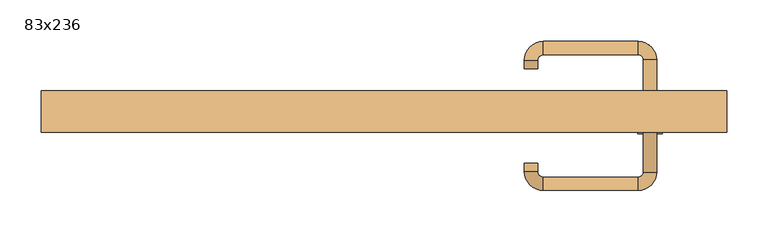
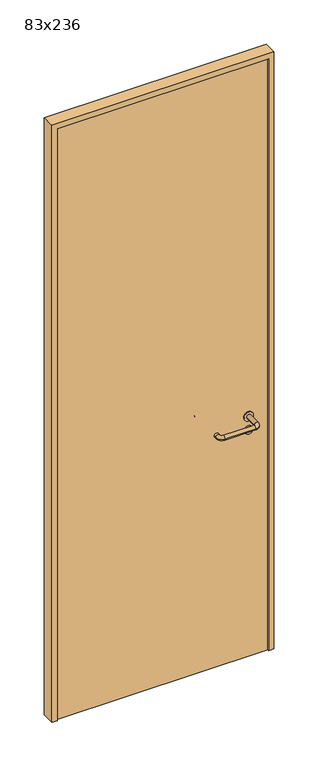
"""IFC4 building model written with IfcOpenShell, lengths in millimetres: door geometry, 83x236."""

from ifc_helpers import new_model, si_unit, point, frame, frame_2d, origin, origin_with_axes, place, context, project, spatial, polyline, circle_curve, ellipse_curve, trimmed, segment, composite_curve, outline, extrude, source, transform, mapped, element, save
from ifc_brep_helpers import plane_surface, cylinder_surface, revolved_surface, advanced_brep


def door_83x236_205ccaae(model_context):
    return source(origin(), model_context, "Body", "SolidModel", [
        extrude(outline(composite_curve([segment(trimmed(circle_curve(frame_2d((897.3605726, 322.0)), 15.0), [point((897.3605726, 337.0))], [point((897.3605726, 307.0))], False, "CARTESIAN"), True, "CONTINUOUS"), segment(trimmed(circle_curve(frame_2d((897.3605726, 322.0)), 15.0), [point((897.3605726, 307.0))], [point((897.3605726, 337.0))], False, "CARTESIAN"), True, "CONTINUOUS")], self_intersect=False), holes=[composite_curve([segment(trimmed(circle_curve(frame_2d((892.5833211, 321.9398032)), 2.0), [point((892.5833211, 323.9398032))], [point((892.5833211, 319.9398032))], True, "CARTESIAN"), True, "CONTINUOUS"), segment(polyline([(892.5833211, 319.9398032), (902.5833211, 319.9398032)]), True, "CONTINUOUS"), segment(trimmed(circle_curve(frame_2d((902.5833211, 321.9398032)), 2.0), [point((902.5833211, 319.9398032))], [point((902.5833211, 323.9398032))], True, "CARTESIAN"), True, "CONTINUOUS"), segment(polyline([(902.5833211, 323.9398032), (892.5833211, 323.9398032)]), True, "CONTINUOUS")], self_intersect=False)]), frame((0.0, -15.0, 0.0), z_axis=(0.0, 1.0, 0.0), x_axis=(0.0, 0.0, 1.0)), (0.0, 0.0, 1.0), 6.35),
        extrude(outline(composite_curve([segment(trimmed(circle_curve(frame_2d((950.0, 322.0)), 17.526), [point((950.0, 339.526))], [point((950.0, 304.474))], False, "CARTESIAN"), True, "CONTINUOUS"), segment(trimmed(circle_curve(frame_2d((950.0, 322.0)), 17.526), [point((950.0, 304.474))], [point((950.0, 339.526))], False, "CARTESIAN"), True, "CONTINUOUS")], self_intersect=False)), frame((0.0, -15.0, 0.0), z_axis=(0.0, 1.0, 0.0), x_axis=(0.0, 0.0, 1.0)), (0.0, 0.0, 1.0), 3.175),
        advanced_brep(
        [(330.0, -15.0, 950.0), (314.0, -15.0, 950.0), (330.0, 38.0, 950.0), (314.0, 38.0, 950.0), (307.8578644, 44.1421356, 950.0), (307.8578644, 60.1421356, 950.0), (192.8578644, 60.1421356, 950.0), (192.8578644, 44.1421356, 950.0), (186.008622, 37.2928932, 950.0), (170.008622, 37.2928932, 950.0), (170.008622, 27.2928932, 950.0), (186.008622, 27.2928932, 950.0)],
        [
            (0, 1, circle_curve(frame((322.0, -15.0, 950.0), z_axis=(0.0, -1.0, 0.0), x_axis=(-1.0, 0.0, 0.0)), 8.0)),
            (1, 0, circle_curve(frame((322.0, -15.0, 950.0), z_axis=(0.0, -1.0, 0.0), x_axis=(-1.0, 0.0, 0.0)), 8.0)),
            (0, 2),
            (2, 3, circle_curve(frame((322.0, 38.0, 950.0), z_axis=(0.0, -1.0, 0.0), x_axis=(-1.0, 0.0, 0.0)), 8.0)),
            (3, 1),
            (3, 2, circle_curve(frame((322.0, 38.0, 950.0), z_axis=(0.0, -1.0, 0.0), x_axis=(-1.0, 0.0, 0.0)), 8.0)),
            (4, 3, circle_curve(frame((307.8578644, 38.0, 950.0), z_axis=(0.0, 0.0, -1.0), x_axis=(1.0, 0.0, 0.0)), 6.1421356)),
            (2, 5, circle_curve(frame((307.8578644, 38.0, 950.0), z_axis=(0.0, 0.0, 1.0), x_axis=(1.0, 0.0, 0.0)), 22.1421356)),
            (5, 4, circle_curve(frame((307.8578644, 52.1421356, 950.0), z_axis=(1.0, 0.0, 0.0), x_axis=(0.0, -1.0, 0.0)), 8.0)),
            (4, 5, circle_curve(frame((307.8578644, 52.1421356, 950.0), z_axis=(1.0, 0.0, 0.0), x_axis=(0.0, -1.0, 0.0)), 8.0)),
            (5, 6),
            (6, 7, circle_curve(frame((192.8578644, 52.1421356, 950.0), z_axis=(1.0, 0.0, 0.0), x_axis=(0.0, -1.0, 0.0)), 8.0)),
            (7, 4),
            (7, 6, circle_curve(frame((192.8578644, 52.1421356, 950.0), z_axis=(1.0, 0.0, 0.0), x_axis=(0.0, -1.0, 0.0)), 8.0)),
            (8, 7, circle_curve(frame((192.8578644, 37.2928932, 950.0), z_axis=(0.0, 0.0, -1.0), x_axis=(0.0, 1.0, 0.0)), 6.8492424)),
            (6, 9, circle_curve(frame((192.8578644, 37.2928932, 950.0), z_axis=(0.0, 0.0, 1.0), x_axis=(0.0, 1.0, 0.0)), 22.8492424)),
            (9, 8, circle_curve(frame((178.008622, 37.2928932, 950.0), z_axis=(0.0, 1.0, 0.0), x_axis=(1.0, 0.0, 0.0)), 8.0)),
            (8, 9, circle_curve(frame((178.008622, 37.2928932, 950.0), z_axis=(0.0, 1.0, 0.0), x_axis=(1.0, 0.0, 0.0)), 8.0)),
            (10, 11, circle_curve(frame((178.008622, 27.2928932, 950.0), z_axis=(0.0, -1.0, 0.0), x_axis=(1.0, 0.0, 0.0)), 8.0)),
            (11, 10, circle_curve(frame((178.008622, 27.2928932, 950.0), z_axis=(0.0, -1.0, 0.0), x_axis=(1.0, 0.0, 0.0)), 8.0)),
            (9, 10),
            (11, 8),
        ],
        [
            plane_surface(frame((322.0, -15.0, 0.0), z_axis=(0.0, -1.0, 0.0), x_axis=(0.0, 0.0, 1.0))),
            cylinder_surface(frame((322.0, -15.0, 950.0), z_axis=(0.0, -1.0, 0.0), x_axis=(-1.0, 0.0, 0.0)), 8.0),
            revolved_surface(trimmed(ellipse_curve(frame((322.0, 38.0, 950.0), z_axis=(0.0, -1.0, 0.0), x_axis=(-1.0, 0.0, 0.0)), 8.0, 8.0), [point((330.0, 38.0, 950.0))], [point((314.0, 38.0, 950.0))], True, "CARTESIAN"), (307.8578644, 38.0, 0.0), (0.0, 0.0, 1.0)),
            revolved_surface(trimmed(ellipse_curve(frame((322.0, 38.0, 950.0), z_axis=(0.0, -1.0, 0.0), x_axis=(-1.0, 0.0, 0.0)), 8.0, 8.0), [point((314.0, 38.0, 950.0))], [point((330.0, 38.0, 950.0))], True, "CARTESIAN"), (307.8578644, 38.0, 0.0), (0.0, 0.0, 1.0)),
            cylinder_surface(frame((307.8578644, 52.1421356, 950.0), z_axis=(1.0, 0.0, 0.0), x_axis=(0.0, -1.0, 0.0)), 8.0),
            revolved_surface(trimmed(ellipse_curve(frame((192.8578644, 52.1421356, 950.0), z_axis=(1.0, 0.0, 0.0), x_axis=(0.0, -1.0, 0.0)), 8.0, 8.0), [point((192.8578644, 60.1421356, 950.0))], [point((192.8578644, 44.1421356, 950.0))], True, "CARTESIAN"), (192.8578644, 37.2928932, 0.0), (0.0, 0.0, 1.0)),
            revolved_surface(trimmed(ellipse_curve(frame((192.8578644, 52.1421356, 950.0), z_axis=(1.0, 0.0, 0.0), x_axis=(0.0, -1.0, 0.0)), 8.0, 8.0), [point((192.8578644, 44.1421356, 950.0))], [point((192.8578644, 60.1421356, 950.0))], True, "CARTESIAN"), (192.8578644, 37.2928932, 0.0), (0.0, 0.0, 1.0)),
            plane_surface(frame((178.008622, 27.2928932, 0.0), z_axis=(0.0, -1.0, 0.0), x_axis=(0.0, 0.0, 1.0))),
            cylinder_surface(frame((178.008622, 37.2928932, 950.0), z_axis=(0.0, 1.0, 0.0), x_axis=(1.0, 0.0, 0.0)), 8.0),
        ],
        [
            (0, [[1, 2]]),
            (1, [[-1, 3, 4, 5]]),
            (1, [[-2, -5, 6, -3]]),
            (2, [[7, -4, 8, 9]]),
            (3, [[-8, -6, -7, 10]]),
            (4, [[-9, 11, 12, 13]]),
            (4, [[-10, -13, 14, -11]]),
            (5, [[15, -12, 16, 17]]),
            (6, [[-16, -14, -15, 18]]),
            (7, [[19, 20]]),
            (8, [[-17, 21, -20, 22]]),
            (8, [[-18, -22, -19, -21]]),
        ],
    ),
        extrude(outline(composite_curve([segment(trimmed(circle_curve(frame_2d((0.0, 15.0)), 15.0), [point((0.0, 30.0))], [point((0.0, 0.0))], False, "CARTESIAN"), True, "CONTINUOUS"), segment(trimmed(circle_curve(frame_2d((0.0, 15.0)), 15.0), [point((0.0, 0.0))], [point((0.0, 30.0))], False, "CARTESIAN"), True, "CONTINUOUS")], self_intersect=False), holes=[composite_curve([segment(trimmed(circle_curve(frame_2d((-4.7772515, 14.9398032)), 2.0), [point((-4.7772515, 16.9398032))], [point((-4.7772515, 12.9398032))], True, "CARTESIAN"), True, "CONTINUOUS"), segment(polyline([(-4.7772515, 12.9398032), (5.2227485, 12.9398032)]), True, "CONTINUOUS"), segment(trimmed(circle_curve(frame_2d((5.2227485, 14.9398032)), 2.0), [point((5.2227485, 12.9398032))], [point((5.2227485, 16.9398032))], True, "CARTESIAN"), True, "CONTINUOUS"), segment(polyline([(5.2227485, 16.9398032), (-4.7772515, 16.9398032)]), True, "CONTINUOUS")], self_intersect=False)]), frame((307.0, -51.35, 897.3605726), z_axis=(-1.8870575173328306e-12, 1.0, 0.0), x_axis=(0.0, 0.0, 1.0)), (0.0, 0.0, 1.0), 6.35),
        extrude(outline(composite_curve([segment(trimmed(circle_curve(frame_2d((0.0, 17.526)), 17.526), [point((0.0, 35.052))], [point((0.0, 0.0))], False, "CARTESIAN"), True, "CONTINUOUS"), segment(trimmed(circle_curve(frame_2d((0.0, 17.526)), 17.526), [point((0.0, 0.0))], [point((0.0, 35.052))], False, "CARTESIAN"), True, "CONTINUOUS")], self_intersect=False)), frame((304.474, -48.175, 950.0), z_axis=(-1.8870575173328306e-12, 1.0, 0.0), x_axis=(0.0, 0.0, 1.0)), (0.0, 0.0, 1.0), 3.175),
        advanced_brep(
        [(330.0, -45.0, 950.0), (314.0, -45.0, 950.0), (314.0, -98.0, 950.0), (330.0, -98.0, 950.0), (307.8578644, -104.1421356, 950.0), (307.8578644, -120.1421356, 950.0), (192.8578644, -104.1421356, 950.0), (192.8578644, -120.1421356, 950.0), (186.008622, -97.2928932, 950.0), (170.008622, -97.2928932, 950.0), (170.008622, -87.2928932, 950.0), (186.008622, -87.2928932, 950.0)],
        [
            (0, 1, circle_curve(frame((322.0, -45.0, 950.0), z_axis=(-1.888672253512351e-12, 1.0, 0.0), x_axis=(-1.0, -1.888672253512351e-12, 0.0)), 8.0)),
            (1, 0, circle_curve(frame((322.0, -45.0, 950.0), z_axis=(-1.888672253512351e-12, 1.0, 0.0), x_axis=(-1.0, -1.888672253512351e-12, 0.0)), 8.0)),
            (1, 2),
            (2, 3, circle_curve(frame((322.0, -98.0, 950.0), z_axis=(-1.888672253512351e-12, 1.0, 0.0), x_axis=(-1.0, -1.888672253512351e-12, 0.0)), 8.0)),
            (3, 0),
            (3, 2, circle_curve(frame((322.0, -98.0, 950.0), z_axis=(-1.888672253512351e-12, 1.0, 0.0), x_axis=(-1.0, -1.888672253512351e-12, 0.0)), 8.0)),
            (4, 5, circle_curve(frame((307.8578644, -112.1421356, 950.0), z_axis=(1.0, 1.913702061528922e-12, 0.0), x_axis=(-1.913702061528922e-12, 1.0, 0.0)), 8.0)),
            (5, 3, circle_curve(frame((307.8578644, -98.0, 950.0), z_axis=(0.0, 0.0, 1.0), x_axis=(1.0, 1.880717803715015e-12, 0.0)), 22.1421356)),
            (2, 4, circle_curve(frame((307.8578644, -98.0, 950.0), z_axis=(0.0, 0.0, -1.0), x_axis=(1.0, 1.880717803715015e-12, 0.0)), 6.1421356)),
            (5, 4, circle_curve(frame((307.8578644, -112.1421356, 950.0), z_axis=(1.0, 1.913702061528922e-12, 0.0), x_axis=(-1.913702061528922e-12, 1.0, 0.0)), 8.0)),
            (4, 6),
            (6, 7, circle_curve(frame((192.8578644, -112.1421356, 950.0), z_axis=(1.0, 1.913719828541269e-12, 0.0), x_axis=(-1.913719828541269e-12, 1.0, 0.0)), 8.0)),
            (7, 5),
            (7, 6, circle_curve(frame((192.8578644, -112.1421356, 950.0), z_axis=(1.0, 1.913719828541269e-12, 0.0), x_axis=(-1.913719828541269e-12, 1.0, 0.0)), 8.0)),
            (8, 9, circle_curve(frame((178.008622, -97.2928932, 950.0), z_axis=(1.8888942981172756e-12, -1.0, 0.0), x_axis=(1.0, 1.8888942981172756e-12, 0.0)), 8.0)),
            (9, 7, circle_curve(frame((192.8578644, -97.2928932, 950.0), z_axis=(0.0, 0.0, 1.0), x_axis=(1.9120873253494017e-12, -1.0, 0.0)), 22.8492424)),
            (6, 8, circle_curve(frame((192.8578644, -97.2928932, 950.0), z_axis=(0.0, 0.0, -1.0), x_axis=(1.9120873253494017e-12, -1.0, 0.0)), 6.8492424)),
            (9, 8, circle_curve(frame((178.008622, -97.2928932, 950.0), z_axis=(1.890448610351751e-12, -1.0, 0.0), x_axis=(1.0, 1.890448610351751e-12, 0.0)), 8.0)),
            (10, 11, circle_curve(frame((178.008622, -87.2928932, 950.0), z_axis=(-1.8903642334018795e-12, 1.0, 0.0), x_axis=(1.0, 1.8903642334018795e-12, 0.0)), 8.0)),
            (11, 10, circle_curve(frame((178.008622, -87.2928932, 950.0), z_axis=(-1.8903642334018795e-12, 1.0, 0.0), x_axis=(1.0, 1.8903642334018795e-12, 0.0)), 8.0)),
            (8, 11),
            (10, 9),
        ],
        [
            plane_surface(frame((322.0, -45.0, 0.0), z_axis=(-1.8870575173328306e-12, 1.0, 0.0), x_axis=(0.0, 0.0, 1.0))),
            cylinder_surface(frame((322.0, -45.0, 950.0), z_axis=(-1.888672253512351e-12, 1.0, 0.0), x_axis=(-1.0, -1.888672253512351e-12, 0.0)), 8.0),
            revolved_surface(trimmed(ellipse_curve(frame((322.0, -98.0, 950.0), z_axis=(1.8823325398945356e-12, -1.0, 0.0), x_axis=(-1.0, -1.8823325398945356e-12, 0.0)), 8.0, 8.0), [point((330.0, -98.0, 950.0))], [point((314.0, -98.0, 950.0))], True, "CARTESIAN"), (307.8578644, -98.0, 0.0), (0.0, 0.0, 1.0)),
            revolved_surface(trimmed(ellipse_curve(frame((322.0, -98.0, 950.0), z_axis=(1.8823325398945356e-12, -1.0, 0.0), x_axis=(-1.0, -1.8823325398945356e-12, 0.0)), 8.0, 8.0), [point((314.0, -98.0, 950.0))], [point((330.0, -98.0, 950.0))], True, "CARTESIAN"), (307.8578644, -98.0, 0.0), (0.0, 0.0, 1.0)),
            cylinder_surface(frame((307.8578644, -112.1421356, 950.0), z_axis=(1.0, 1.913719828541269e-12, 0.0), x_axis=(-1.913719828541269e-12, 1.0, 0.0)), 8.0),
            revolved_surface(trimmed(ellipse_curve(frame((192.8578644, -112.1421356, 950.0), z_axis=(-1.0, -1.913702061528922e-12, 0.0), x_axis=(-1.913702061528922e-12, 1.0, 0.0)), 8.0, 8.0), [point((192.8578644, -120.1421356, 950.0))], [point((192.8578644, -104.1421356, 950.0))], True, "CARTESIAN"), (192.8578644, -97.2928932, 0.0), (0.0, 0.0, 1.0)),
            revolved_surface(trimmed(ellipse_curve(frame((192.8578644, -112.1421356, 950.0), z_axis=(-1.0, -1.913702061528922e-12, 0.0), x_axis=(-1.913702061528922e-12, 1.0, 0.0)), 8.0, 8.0), [point((192.8578644, -104.1421356, 950.0))], [point((192.8578644, -120.1421356, 950.0))], True, "CARTESIAN"), (192.8578644, -97.2928932, 0.0), (0.0, 0.0, 1.0)),
            plane_surface(frame((178.008622, -87.2928932, 0.0), z_axis=(-1.8887494972223595e-12, 1.0, 0.0), x_axis=(0.0, 0.0, 1.0))),
            cylinder_surface(frame((178.008622, -97.2928932, 950.0), z_axis=(1.8903642334018795e-12, -1.0, 0.0), x_axis=(1.0, 1.8903642334018795e-12, 0.0)), 8.0),
        ],
        [
            (0, [[1, 2]]),
            (1, [[3, 4, 5, -2]]),
            (1, [[-5, 6, -3, -1]]),
            (2, [[7, 8, -4, 9]]),
            (3, [[10, -9, -6, -8]]),
            (4, [[11, 12, 13, -7]]),
            (4, [[-13, 14, -11, -10]]),
            (5, [[15, 16, -12, 17]]),
            (6, [[18, -17, -14, -16]]),
            (7, [[19, 20]]),
            (8, [[21, -19, 22, -15]]),
            (8, [[-22, -20, -21, -18]]),
        ],
    ),
        extrude(outline(polyline([(2340.0, 395.0), (0.0, 395.0), (0.0, 415.0), (2360.0, 415.0), (2360.0, -415.0), (0.0, -415.0), (0.0, -395.0), (2340.0, -395.0), (2340.0, 395.0)])), frame((0.0, -50.0, 0.0), z_axis=(0.0, 1.0, 0.0), x_axis=(0.0, 0.0, 1.0)), (0.0, 0.0, 1.0), 50.0),
        extrude(outline(polyline([(-395.0, -45.0), (-395.0, -15.0), (395.0, -15.0), (395.0, -45.0), (-395.0, -45.0)])), origin_with_axes(), (0.0, 0.0, 1.0), 2340.0),
    ])


if __name__ == "__main__":
    model = new_model("IFC4")
    model_context = context("Model", 3, world=origin())
    ifc_project = project(units=[si_unit("LENGTHUNIT", "METRE", prefix="MILLI")], contexts=[model_context])
    site = spatial("IfcSite", under=ifc_project)
    building = spatial("IfcBuilding", under=site)
    placement = place(None, origin())
    door_83x236_shape = door_83x236_205ccaae(model_context)
    element("IfcDoor", 1, ObjectType="83x236", at=placement, inside=building, context=model_context, shape_type="MappedRepresentation", body=[
        mapped(door_83x236_shape, transform((0.0, 0.0, 0.0), x_axis=(1.0, 0.0, 0.0), y_axis=(0.0, 1.0, 0.0), z_axis=(0.0, 0.0, 1.0))),
    ])
    save(model, "model.ifc")
